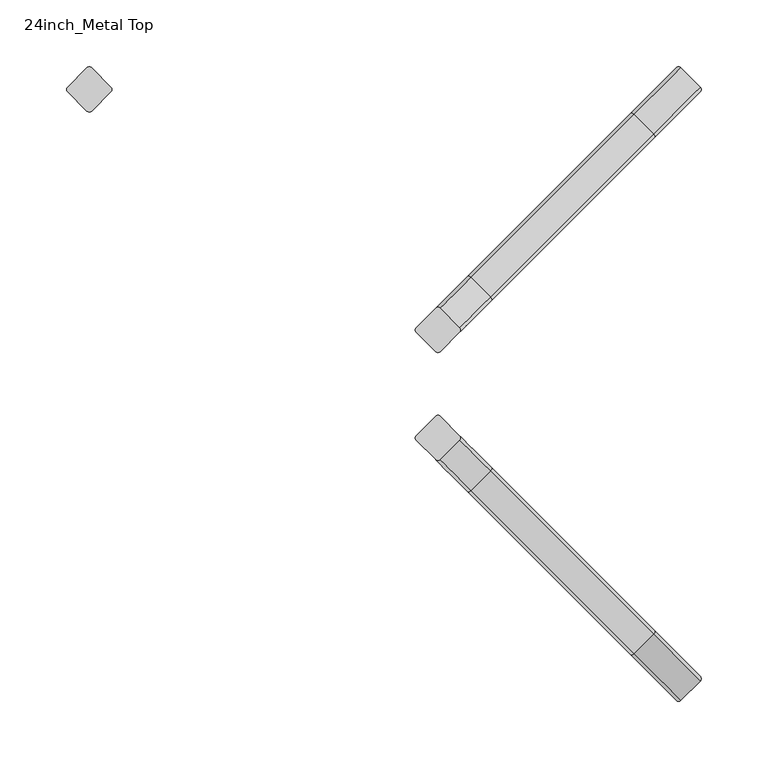
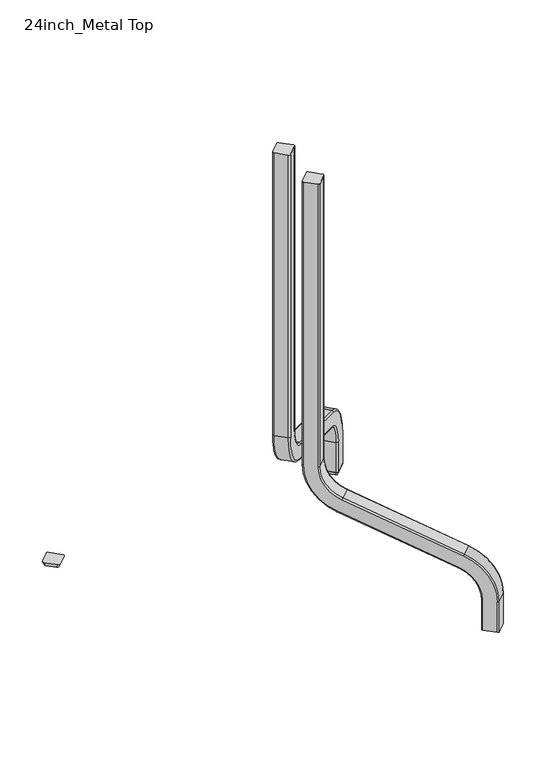
"""IFC4 building model written with IfcOpenShell, lengths in millimetres: furniture geometry, 24inch_Metal Top."""

from ifc_helpers import new_model, si_unit, point, frame, origin, place, context, project, spatial, polyline, circle_curve, ellipse_curve, trimmed, source, transform, mapped, element, save
from ifc_brep_helpers import plane_surface, cylinder_surface, revolved_surface, extruded_surface, advanced_brep


def furniture_24inch_metal_top_5c2725af(model_context):
    return source(origin(), model_context, "Body", "AdvancedBrep", [
        advanced_brep(
        [(237.0285379, -222.6060599, 6.0), (222.6035596, -237.0310383, 6.0), (219.0680257, -237.0310383, 6.0), (204.6430474, -222.6060599, 6.0), (204.6430474, -219.070526, 6.0), (219.0680257, -204.6455477, 6.0), (222.6035596, -204.6455477, 6.0), (237.0285379, -219.070526, 6.0), (237.0285379, -222.6060599, 56.4844346), (222.6035596, -237.0310383, 56.4844346), (219.0680257, -237.0310383, 56.4844346), (185.3365294, -203.2995419, 124.6121496), (63.1113418, -81.0743544, 187.5253211), (38.6850858, -56.6480984, 236.8591837), (38.6850858, -56.6480984, 710.9420313), (24.2601075, -42.2231201, 710.9420313), (24.2601075, -42.2231201, 236.8591837), (58.1777086, -76.1407212, 168.3555916), (180.4028962, -198.3659088, 105.4424202), (204.6430474, -222.6060599, 56.4844346), (204.6430474, -219.070526, 56.4844346), (219.0680257, -204.6455477, 56.4844346), (222.6035596, -204.6455477, 56.4844346), (198.3634084, -180.4053965, 105.4424202), (76.1382209, -58.180209, 168.3555916), (42.2206197, -24.2626078, 236.8591837), (42.2206197, -24.2626078, 710.9420313), (56.6455981, -38.6875862, 710.9420313), (56.6455981, -38.6875862, 236.8591837), (81.071854, -63.1138421, 187.5253211), (203.2970416, -185.3390297, 124.6121496), (237.0285379, -219.070526, 56.4844346), (187.7089082, -202.1363869, 126.9613812), (202.1338866, -187.7114086, 126.9613812), (181.5660513, -195.9935299, 103.0931886), (195.9910296, -181.5685516, 103.0931886), (79.908699, -65.486221, 189.8745526), (65.4837207, -79.9111993, 189.8745526), (59.3408637, -73.7683424, 166.0063601), (73.765842, -59.343364, 166.0063601), (42.2206197, -56.6480984, 236.8591837), (56.6455981, -42.2231201, 236.8591837), (24.2601075, -38.6875862, 236.8591837), (38.6850858, -24.2626078, 236.8591837), (56.6455981, -42.2231201, 710.9420313), (38.6850858, -24.2626078, 710.9420313), (24.2601075, -38.6875862, 710.9420313), (42.2206197, -56.6480984, 710.9420313)],
        [
            (0, 1),
            (1, 2, circle_curve(frame((220.8357927, -235.2632713, 6.0), z_axis=(0.0, 0.0, -1.0), x_axis=(-0.7071067811865472, 0.7071067811865478, 0.0)), 2.5)),
            (2, 3),
            (3, 4, circle_curve(frame((206.4108143, -220.838293, 6.0), z_axis=(0.0, 0.0, -1.0), x_axis=(-0.7071067811865472, 0.7071067811865478, 0.0)), 2.5)),
            (4, 5),
            (5, 6, circle_curve(frame((220.8357927, -206.4133147, 6.0), z_axis=(0.0, 0.0, -1.0), x_axis=(-0.7071067811865472, 0.7071067811865478, 0.0)), 2.5)),
            (6, 7),
            (7, 0, circle_curve(frame((235.260771, -220.838293, 6.0), z_axis=(0.0, 0.0, -1.0), x_axis=(-0.7071067811865472, 0.7071067811865478, 0.0)), 2.5)),
            (0, 8),
            (8, 9),
            (9, 1),
            (9, 10, circle_curve(frame((220.8357927, -235.2632713, 56.4844346), z_axis=(0.0, 0.0, -1.0), x_axis=(-0.7071067811865472, 0.7071067811865478, 0.0)), 2.5)),
            (10, 2),
            (10, 11, circle_curve(frame((167.8027841, -185.7657966, 56.4844346), z_axis=(-0.7071067811865478, -0.7071067811865472, 0.0), x_axis=(0.7071067811865472, -0.7071067811865478, 0.0)), 72.5)),
            (11, 12),
            (12, 13, circle_curve(frame((75.8081918, -93.7712044, 236.8591837), z_axis=(0.7071067811865478, 0.7071067811865472, 0.0), x_axis=(-0.24184476264796512, 0.24184476264796528, -0.9396926207859135)), 52.5)),
            (13, 14),
            (14, 15),
            (15, 16),
            (16, 17, circle_curve(frame((75.8081918, -93.7712044, 236.8591837), z_axis=(-0.7071067811865478, -0.7071067811865472, 0.0), x_axis=(-0.24184476264796512, 0.24184476264796528, -0.9396926207859135)), 72.9)),
            (17, 18),
            (18, 19, circle_curve(frame((167.8027841, -185.7657966, 56.4844346), z_axis=(0.7071067811865478, 0.7071067811865472, 0.0), x_axis=(0.7071067811865472, -0.7071067811865478, 0.0)), 52.1)),
            (19, 3),
            (19, 20, circle_curve(frame((206.4108143, -220.838293, 56.4844346), z_axis=(0.0, 0.0, -1.0), x_axis=(-0.7071067811865472, 0.7071067811865478, 0.0)), 2.5)),
            (20, 4),
            (20, 21),
            (21, 5),
            (21, 22, circle_curve(frame((220.8357927, -206.4133147, 56.4844346), z_axis=(0.0, 0.0, -1.0), x_axis=(-0.7071067811865472, 0.7071067811865478, 0.0)), 2.5)),
            (22, 6),
            (22, 23, circle_curve(frame((185.7632963, -167.8052844, 56.4844346), z_axis=(-0.7071067811865478, -0.7071067811865472, 0.0), x_axis=(0.7071067811865472, -0.7071067811865478, 0.0)), 52.1)),
            (23, 24),
            (24, 25, circle_curve(frame((93.7687041, -75.8106922, 236.8591837), z_axis=(0.7071067811865478, 0.7071067811865472, 0.0), x_axis=(-0.24184476264796512, 0.24184476264796528, -0.9396926207859135)), 72.9)),
            (25, 26),
            (26, 27),
            (27, 28),
            (28, 29, circle_curve(frame((93.7687041, -75.8106922, 236.8591837), z_axis=(-0.7071067811865478, -0.7071067811865472, 0.0), x_axis=(-0.24184476264796512, 0.24184476264796528, -0.9396926207859135)), 52.5)),
            (29, 30),
            (30, 31, circle_curve(frame((185.7632963, -167.8052844, 56.4844346), z_axis=(0.7071067811865478, 0.7071067811865472, 0.0), x_axis=(0.7071067811865472, -0.7071067811865478, 0.0)), 72.5)),
            (31, 7),
            (31, 8, circle_curve(frame((235.260771, -220.838293, 56.4844346), z_axis=(0.0, 0.0, -1.0), x_axis=(-0.7071067811865472, 0.7071067811865478, 0.0)), 2.5)),
            (32, 9, circle_curve(frame((169.570551, -183.9980297, 56.4844346), z_axis=(0.7071067811865478, 0.7071067811865472, 0.0), x_axis=(0.7071067811865472, -0.7071067811865478, 0.0)), 75.0)),
            (8, 33, circle_curve(frame((183.9955294, -169.5730514, 56.4844346), z_axis=(-0.7071067811865478, -0.7071067811865472, 0.0), x_axis=(0.7071067811865472, -0.7071067811865478, 0.0)), 75.0)),
            (33, 32),
            (32, 11, circle_curve(frame((187.1042963, -201.531775, 124.6121496), z_axis=(0.6644630243886782, -0.6644630243886788, -0.342020143325654), x_axis=(-0.24184476264796476, 0.24184476264796495, -0.9396926207859138)), 2.5)),
            (34, 20, circle_curve(frame((169.570551, -183.9980297, 56.4844346), z_axis=(0.7071067811865478, 0.7071067811865472, 0.0), x_axis=(0.7071067811865472, -0.7071067811865478, 0.0)), 49.6)),
            (18, 34, circle_curve(frame((182.1706632, -196.5981418, 105.4424202), z_axis=(0.6644630243886783, -0.6644630243886789, -0.3420201433256538), x_axis=(-0.2418447626479646, 0.24184476264796478, -0.9396926207859139)), 2.5)),
            (35, 21, circle_curve(frame((183.9955294, -169.5730514, 56.4844346), z_axis=(0.7071067811865478, 0.7071067811865472, 0.0), x_axis=(0.7071067811865472, -0.7071067811865478, 0.0)), 49.6)),
            (34, 35),
            (35, 23, circle_curve(frame((196.5956415, -182.1731635, 105.4424202), z_axis=(0.6644630243886781, -0.6644630243886785, -0.3420201433256546), x_axis=(-0.24184476264796517, 0.24184476264796537, -0.9396926207859135)), 2.5)),
            (30, 33, circle_curve(frame((201.5292747, -187.1067966, 124.6121496), z_axis=(0.6644630243886781, -0.6644630243886787, -0.3420201433256542), x_axis=(-0.2418447626479649, 0.2418447626479651, -0.9396926207859136)), 2.5)),
            (33, 36),
            (36, 37),
            (37, 32),
            (37, 12, circle_curve(frame((64.8791088, -79.3065874, 187.5253211), z_axis=(0.6644630243886785, -0.6644630243886788, -0.3420201433256535), x_axis=(-0.2418447626479644, 0.2418447626479646, -0.939692620785914)), 2.5)),
            (17, 38, circle_curve(frame((59.9454756, -74.3729543, 168.3555916), z_axis=(0.6644630243886785, -0.6644630243886788, -0.3420201433256535), x_axis=(-0.2418447626479644, 0.2418447626479646, -0.939692620785914)), 2.5)),
            (38, 34),
            (38, 39),
            (39, 35),
            (39, 24, circle_curve(frame((74.3704539, -59.9479759, 168.3555916), z_axis=(0.6644630243886785, -0.6644630243886788, -0.3420201433256535), x_axis=(-0.2418447626479644, 0.2418447626479646, -0.939692620785914)), 2.5)),
            (29, 36, circle_curve(frame((79.3040871, -64.8816091, 187.5253211), z_axis=(0.6644630243886785, -0.6644630243886788, -0.3420201433256535), x_axis=(-0.2418447626479644, 0.2418447626479646, -0.939692620785914)), 2.5)),
            (40, 37, circle_curve(frame((77.5759588, -92.0034375, 236.8591837), z_axis=(-0.7071067811865478, -0.7071067811865472, 0.0), x_axis=(-0.24184476264796512, 0.24184476264796528, -0.9396926207859135)), 50.0)),
            (36, 41, circle_curve(frame((92.0009371, -77.5784591, 236.8591837), z_axis=(0.7071067811865478, 0.7071067811865472, 0.0), x_axis=(-0.24184476264796512, 0.24184476264796528, -0.9396926207859135)), 50.0)),
            (41, 40),
            (40, 13, circle_curve(frame((40.4528528, -54.8803314, 236.8591837), z_axis=(0.0, 0.0, -1.0), x_axis=(-0.7071067811865472, 0.7071067811865477, 0.0)), 2.5)),
            (42, 38, circle_curve(frame((77.5759588, -92.0034375, 236.8591837), z_axis=(-0.7071067811865478, -0.7071067811865472, 0.0), x_axis=(-0.24184476264796512, 0.24184476264796528, -0.9396926207859135)), 75.4)),
            (16, 42, circle_curve(frame((26.0278744, -40.4553531, 236.8591837), z_axis=(0.0, 0.0, -1.0), x_axis=(-0.7071067811865472, 0.7071067811865478, 0.0)), 2.5)),
            (43, 39, circle_curve(frame((92.0009371, -77.5784591, 236.8591837), z_axis=(-0.7071067811865478, -0.7071067811865472, 0.0), x_axis=(-0.24184476264796512, 0.24184476264796528, -0.9396926207859135)), 75.4)),
            (42, 43),
            (43, 25, circle_curve(frame((40.4528528, -26.0303748, 236.8591837), z_axis=(0.0, 0.0, -1.0), x_axis=(-0.7071067811865472, 0.7071067811865477, 0.0)), 2.5)),
            (28, 41, circle_curve(frame((54.8778311, -40.4553531, 236.8591837), z_axis=(0.0, 0.0, -1.0), x_axis=(-0.7071067811865472, 0.7071067811865478, 0.0)), 2.5)),
            (44, 27, circle_curve(frame((54.8778311, -40.4553531, 710.9420313), z_axis=(0.0, 0.0, 1.0), x_axis=(-0.7071067811865472, 0.7071067811865478, 0.0)), 2.5)),
            (26, 45, circle_curve(frame((40.4528528, -26.0303748, 710.9420313), z_axis=(0.0, 0.0, 1.0), x_axis=(-0.7071067811865472, 0.7071067811865478, 0.0)), 2.5)),
            (45, 46),
            (46, 15, circle_curve(frame((26.0278744, -40.4553531, 710.9420313), z_axis=(0.0, 0.0, 1.0), x_axis=(-0.7071067811865472, 0.7071067811865478, 0.0)), 2.5)),
            (14, 47, circle_curve(frame((40.4528528, -54.8803314, 710.9420313), z_axis=(0.0, 0.0, 1.0), x_axis=(-0.7071067811865472, 0.7071067811865478, 0.0)), 2.5)),
            (47, 44),
            (41, 44),
            (47, 40),
            (46, 42),
            (45, 43),
        ],
        [
            plane_surface(frame((229.8172989, -229.8172989, 6.0), z_axis=(0.0, 0.0, -1.0), x_axis=(-0.7071067811865478, -0.7071067811865472, 0.0))),
            plane_surface(frame((237.0285379, -222.6060599, 6.0), z_axis=(0.7071067811865472, -0.7071067811865478, 0.0), x_axis=(0.0, 0.0, 1.0))),
            cylinder_surface(frame((220.8357927, -235.2632713, 6.0), z_axis=(0.0, 0.0, -1.0), x_axis=(-0.7071067811865472, 0.7071067811865478, 0.0)), 2.5),
            plane_surface(frame((219.0680257, -237.0310383, 6.0), z_axis=(-0.7071067811865478, -0.7071067811865472, 0.0), x_axis=(0.0, 0.0, 1.0))),
            cylinder_surface(frame((206.4108143, -220.838293, 6.0), z_axis=(0.0, 0.0, -1.0), x_axis=(-0.7071067811865472, 0.7071067811865478, 0.0)), 2.5),
            plane_surface(frame((204.6430474, -219.070526, 6.0), z_axis=(-0.7071067811865472, 0.7071067811865478, 0.0), x_axis=(0.0, 0.0, 1.0))),
            cylinder_surface(frame((220.8357927, -206.4133147, 6.0), z_axis=(0.0, 0.0, -1.0), x_axis=(-0.7071067811865472, 0.7071067811865478, 0.0)), 2.5),
            plane_surface(frame((222.6035596, -204.6455477, 6.0), z_axis=(0.7071067811865478, 0.7071067811865472, 0.0), x_axis=(0.0, 0.0, 1.0))),
            cylinder_surface(frame((235.260771, -220.838293, 6.0), z_axis=(0.0, 0.0, -1.0), x_axis=(-0.7071067811865472, 0.7071067811865478, 0.0)), 2.5),
            cylinder_surface(frame((176.7842904, -176.7842904, 56.4844346), z_axis=(-0.7071067811865478, -0.7071067811865472, 0.0), x_axis=(0.7071067811865472, -0.7071067811865478, 0.0)), 75.0),
            revolved_surface(trimmed(ellipse_curve(frame((220.8357927, -235.2632713, 56.4844346), z_axis=(0.0, 0.0, -1.0), x_axis=(-0.7071067811865472, 0.7071067811865478, 0.0)), 2.5, 2.5), [point((222.6035596, -237.0310383, 56.4844346))], [point((219.0680257, -237.0310383, 56.4844346))], True, "CARTESIAN"), (176.7842904, -176.7842904, 56.4844346), (-0.7071067811865478, -0.7071067811865472, 0.0)),
            revolved_surface(trimmed(ellipse_curve(frame((206.4108143, -220.838293, 56.4844346), z_axis=(0.0, 0.0, -1.0), x_axis=(-0.7071067811865472, 0.7071067811865478, 0.0)), 2.5, 2.5), [point((204.6430474, -222.6060599, 56.4844346))], [point((204.6430474, -219.070526, 56.4844346))], True, "CARTESIAN"), (176.7842904, -176.7842904, 56.4844346), (-0.7071067811865478, -0.7071067811865472, 0.0)),
            revolved_surface(polyline([(204.64304739685275, -219.07052609685277, 56.4844346), (219.06802574685275, -204.64554774685277, 56.4844346)]), (176.7842904, -176.7842904, 56.4844346), (-0.7071067811865478, -0.7071067811865472, 0.0)),
            revolved_surface(trimmed(ellipse_curve(frame((220.8357927, -206.4133147, 56.4844346), z_axis=(0.0, 0.0, -1.0), x_axis=(-0.7071067811865472, 0.7071067811865478, 0.0)), 2.5, 2.5), [point((219.0680257, -204.6455477, 56.4844346))], [point((222.6035596, -204.6455477, 56.4844346))], True, "CARTESIAN"), (176.7842904, -176.7842904, 56.4844346), (-0.7071067811865478, -0.7071067811865472, 0.0)),
            revolved_surface(trimmed(ellipse_curve(frame((235.260771, -220.838293, 56.4844346), z_axis=(0.0, 0.0, -1.0), x_axis=(-0.7071067811865472, 0.7071067811865478, 0.0)), 2.5, 2.5), [point((237.0285379, -219.070526, 56.4844346))], [point((237.0285379, -222.6060599, 56.4844346))], True, "CARTESIAN"), (176.7842904, -176.7842904, 56.4844346), (-0.7071067811865478, -0.7071067811865472, 0.0)),
            plane_surface(frame((202.1338866, -187.7114086, 126.9613812), z_axis=(0.24184476264796456, -0.24184476264796467, 0.939692620785914), x_axis=(-0.6644630243886784, 0.6644630243886789, 0.34202014332565367))),
            cylinder_surface(frame((187.1042963, -201.531775, 124.6121496), z_axis=(0.6644630243886785, -0.6644630243886788, -0.3420201433256535), x_axis=(-0.2418447626479644, 0.2418447626479646, -0.939692620785914)), 2.5),
            cylinder_surface(frame((182.1706632, -196.5981418, 105.4424202), z_axis=(0.6644630243886785, -0.6644630243886788, -0.3420201433256535), x_axis=(-0.2418447626479644, 0.2418447626479646, -0.939692620785914)), 2.5),
            plane_surface(frame((181.5660513, -195.9935299, 103.0931886), z_axis=(-0.24184476264796445, 0.24184476264796465, -0.939692620785914), x_axis=(-0.6644630243886784, 0.6644630243886788, 0.34202014332565356))),
            cylinder_surface(frame((196.5956415, -182.1731635, 105.4424202), z_axis=(0.6644630243886785, -0.6644630243886788, -0.3420201433256535), x_axis=(-0.2418447626479644, 0.2418447626479646, -0.939692620785914)), 2.5),
            cylinder_surface(frame((201.5292747, -187.1067966, 124.6121496), z_axis=(0.6644630243886785, -0.6644630243886788, -0.3420201433256535), x_axis=(-0.2418447626479644, 0.2418447626479646, -0.939692620785914)), 2.5),
            revolved_surface(polyline([(79.90869896760175, -65.48622096760174, 189.8745526607043), (65.48372061760173, -79.91119931760174, 189.8745526607043)]), (84.7896981, -84.7896981, 236.8591837), (0.7071067811865478, 0.7071067811865472, 0.0)),
            revolved_surface(trimmed(ellipse_curve(frame((64.8791088, -79.3065874, 187.5253211), z_axis=(0.6644630243886782, -0.6644630243886784, -0.3420201433256544), x_axis=(-0.24184476264796506, 0.24184476264796528, -0.9396926207859135)), 2.5, 2.5), [point((65.4837207, -79.9111993, 189.8745526))], [point((63.1113418, -81.0743544, 187.5253211))], True, "CARTESIAN"), (84.7896981, -84.7896981, 236.8591837), (0.7071067811865478, 0.7071067811865472, 0.0)),
            revolved_surface(trimmed(ellipse_curve(frame((59.9454756, -74.3729543, 168.3555916), z_axis=(0.6644630243886782, -0.6644630243886784, -0.3420201433256544), x_axis=(-0.24184476264796506, 0.24184476264796528, -0.9396926207859135)), 2.5, 2.5), [point((58.1777086, -76.1407212, 168.3555916))], [point((59.3408637, -73.7683424, 166.0063601))], True, "CARTESIAN"), (84.7896981, -84.7896981, 236.8591837), (0.7071067811865478, 0.7071067811865472, 0.0)),
            cylinder_surface(frame((84.7896981, -84.7896981, 236.8591837), z_axis=(0.7071067811865478, 0.7071067811865472, 0.0), x_axis=(-0.24184476264796512, 0.24184476264796528, -0.9396926207859135)), 75.4),
            revolved_surface(trimmed(ellipse_curve(frame((74.3704539, -59.9479759, 168.3555916), z_axis=(0.6644630243886782, -0.6644630243886784, -0.3420201433256544), x_axis=(-0.24184476264796506, 0.24184476264796528, -0.9396926207859135)), 2.5, 2.5), [point((73.765842, -59.343364, 166.0063601))], [point((76.1382209, -58.180209, 168.3555916))], True, "CARTESIAN"), (84.7896981, -84.7896981, 236.8591837), (0.7071067811865478, 0.7071067811865472, 0.0)),
            revolved_surface(trimmed(ellipse_curve(frame((79.3040871, -64.8816091, 187.5253211), z_axis=(0.6644630243886782, -0.6644630243886784, -0.3420201433256544), x_axis=(-0.24184476264796506, 0.24184476264796528, -0.9396926207859135)), 2.5, 2.5), [point((81.071854, -63.1138421, 187.5253211))], [point((79.908699, -65.486221, 189.8745526))], True, "CARTESIAN"), (84.7896981, -84.7896981, 236.8591837), (0.7071067811865478, 0.7071067811865472, 0.0)),
            plane_surface(frame((49.4343591, -49.4343591, 710.9420313), z_axis=(0.0, 0.0, 1.0), x_axis=(-0.7071067811865478, -0.7071067811865472, 0.0))),
            plane_surface(frame((56.6455981, -42.2231201, 236.8591837), z_axis=(0.7071067811865472, -0.7071067811865478, 0.0), x_axis=(0.0, 0.0, 1.0))),
            cylinder_surface(frame((40.4528528, -54.8803314, 236.8591837), z_axis=(0.0, 0.0, -1.0), x_axis=(-0.7071067811865472, 0.7071067811865478, 0.0)), 2.5),
            cylinder_surface(frame((26.0278744, -40.4553531, 236.8591837), z_axis=(0.0, 0.0, -1.0), x_axis=(-0.7071067811865472, 0.7071067811865478, 0.0)), 2.5),
            plane_surface(frame((24.2601075, -38.6875862, 236.8591837), z_axis=(-0.7071067811865472, 0.7071067811865478, 0.0), x_axis=(0.0, 0.0, 1.0))),
            cylinder_surface(frame((40.4528528, -26.0303748, 236.8591837), z_axis=(0.0, 0.0, -1.0), x_axis=(-0.7071067811865472, 0.7071067811865478, 0.0)), 2.5),
            cylinder_surface(frame((54.8778311, -40.4553531, 236.8591837), z_axis=(0.0, 0.0, -1.0), x_axis=(-0.7071067811865472, 0.7071067811865478, 0.0)), 2.5),
        ],
        [
            (0, [[1, 2, 3, 4, 5, 6, 7, 8]]),
            (1, [[-1, 9, 10, 11]]),
            (2, [[-2, -11, 12, 13]]),
            (3, [[-3, -13, 14, 15, 16, 17, 18, 19, 20, 21, 22, 23]]),
            (4, [[-4, -23, 24, 25]]),
            (5, [[-5, -25, 26, 27]]),
            (6, [[-6, -27, 28, 29]]),
            (7, [[-7, -29, 30, 31, 32, 33, 34, 35, 36, 37, 38, 39]]),
            (8, [[-8, -39, 40, -9]]),
            (9, [[41, -10, 42, 43]]),
            (10, [[-14, -12, -41, 44]]),
            (11, [[45, -24, -22, 46]]),
            (12, [[47, -26, -45, 48]]),
            (13, [[-30, -28, -47, 49]]),
            (14, [[-42, -40, -38, 50]]),
            (15, [[-43, 51, 52, 53]]),
            (16, [[-44, -53, 54, -15]]),
            (17, [[-46, -21, 55, 56]]),
            (18, [[-48, -56, 57, 58]]),
            (19, [[-49, -58, 59, -31]]),
            (20, [[-50, -37, 60, -51]]),
            (21, [[61, -52, 62, 63]]),
            (22, [[-16, -54, -61, 64]]),
            (23, [[65, -55, -20, 66]]),
            (24, [[67, -57, -65, 68]]),
            (25, [[-32, -59, -67, 69]]),
            (26, [[-62, -60, -36, 70]]),
            (27, [[71, -34, 72, 73, 74, -18, 75, 76]]),
            (28, [[-63, 77, -76, 78]]),
            (29, [[-64, -78, -75, -17]]),
            (30, [[-66, -19, -74, 79]]),
            (31, [[-68, -79, -73, 80]]),
            (32, [[-69, -80, -72, -33]]),
            (33, [[-70, -35, -71, -77]]),
        ],
    ),
        advanced_brep(
        [(233.4955044, 222.6035596, 0.0), (233.4955044, 219.0680257, 0.0), (222.6060599, 208.1785813, 0.0), (219.070526, 208.1785813, 0.0), (208.1810816, 219.0680257, 0.0), (208.1810816, 222.6035596, 0.0), (219.070526, 233.493004, 0.0), (222.6060599, 233.493004, 0.0), (237.0310383, 222.6035596, 6.0), (222.6060599, 237.0285379, 6.0), (219.070526, 237.0285379, 6.0), (204.6455477, 222.6035596, 6.0), (204.6455477, 219.0680257, 6.0), (219.070526, 204.6430474, 6.0), (222.6060599, 204.6430474, 6.0), (237.0310383, 219.0680257, 6.0)],
        [
            (0, 1, circle_curve(frame((231.7277374, 220.8357927, 0.0), z_axis=(0.0, 0.0, -1.0), x_axis=(0.707106781186547, -0.707106781186548, 0.0)), 2.5)),
            (1, 2),
            (2, 3, circle_curve(frame((220.838293, 209.9463482, 0.0), z_axis=(0.0, 0.0, -1.0), x_axis=(0.707106781186547, -0.707106781186548, 0.0)), 2.5)),
            (3, 4),
            (4, 5, circle_curve(frame((209.9488486, 220.8357927, 0.0), z_axis=(0.0, 0.0, -1.0), x_axis=(0.707106781186547, -0.707106781186548, 0.0)), 2.5)),
            (5, 6),
            (6, 7, circle_curve(frame((220.838293, 231.7252371, 0.0), z_axis=(0.0, 0.0, -1.0), x_axis=(0.707106781186547, -0.707106781186548, 0.0)), 2.5)),
            (7, 0),
            (8, 9),
            (9, 10, circle_curve(frame((220.838293, 235.260771, 6.0), z_axis=(0.0, 0.0, 1.0), x_axis=(0.707106781186547, -0.707106781186548, 0.0)), 2.5)),
            (10, 11),
            (11, 12, circle_curve(frame((206.4133147, 220.8357927, 6.0), z_axis=(0.0, 0.0, 1.0), x_axis=(0.707106781186547, -0.707106781186548, 0.0)), 2.5)),
            (12, 13),
            (13, 14, circle_curve(frame((220.838293, 206.4108143, 6.0), z_axis=(0.0, 0.0, 1.0), x_axis=(0.707106781186547, -0.707106781186548, 0.0)), 2.5)),
            (14, 15),
            (15, 8, circle_curve(frame((235.2632713, 220.8357927, 6.0), z_axis=(0.0, 0.0, 1.0), x_axis=(0.707106781186547, -0.707106781186548, 0.0)), 2.5)),
            (15, 1),
            (0, 8),
            (14, 2),
            (13, 3),
            (12, 4),
            (11, 5),
            (10, 6),
            (9, 7),
        ],
        [
            plane_surface(frame((220.838293, 220.8357927, 0.0), z_axis=(0.0, 0.0, -1.0), x_axis=(0.7071067811865475, -0.7071067811865476, 0.0))),
            plane_surface(frame((220.838293, 220.8357927, 6.0), z_axis=(0.0, 0.0, 1.0), x_axis=(0.7071067811865476, -0.7071067811865475, 0.0))),
            extruded_surface(trimmed(circle_curve(frame((235.2632713, 220.8357927, 6.0), z_axis=(0.0, 0.0, -1.0), x_axis=(0.707106781186547, -0.707106781186548, 0.0)), 2.5), [point((237.0310383, 222.6035596, 6.0))], [point((237.0310383, 219.0680257, 6.0))], True, "CARTESIAN"), (-3.5355339000000185, 0.0, -6.0), 6.964194135580178),
            plane_surface(frame((229.8185491, 211.8555365, 6.0), z_axis=(0.652713951864832, -0.6527139518648329, -0.38461538461427447), x_axis=(-0.707106781186548, -0.707106781186547, 0.0))),
            extruded_surface(trimmed(circle_curve(frame((220.838293, 206.4108143, 6.0), z_axis=(0.0, 0.0, -1.0), x_axis=(0.707106781186547, -0.707106781186548, 0.0)), 2.5), [point((222.6060599, 204.6430474, 6.0))], [point((219.070526, 204.6430474, 6.0))], True, "CARTESIAN"), (0.0, 3.53553389999999, -6.0), 6.964194135580163),
            plane_surface(frame((211.8580369, 211.8555365, 6.0), z_axis=(-0.6527139518666294, -0.6527139518666285, -0.38461538460817685), x_axis=(-0.707106781186547, 0.707106781186548, 0.0))),
            extruded_surface(trimmed(circle_curve(frame((206.4133147, 220.8357927, 6.0), z_axis=(0.0, 0.0, -1.0), x_axis=(0.707106781186547, -0.707106781186548, 0.0)), 2.5), [point((204.6455477, 219.0680257, 6.0))], [point((204.6455477, 222.6035596, 6.0))], True, "CARTESIAN"), (3.53553389999999, 0.0, -6.0), 6.964194135580163),
            plane_surface(frame((211.8580369, 229.8160488, 6.0), z_axis=(-0.6527139518648819, 0.6527139518648828, -0.3846153846141052), x_axis=(0.707106781186548, 0.707106781186547, 0.0))),
            extruded_surface(trimmed(circle_curve(frame((220.838293, 235.260771, 6.0), z_axis=(0.0, 0.0, -1.0), x_axis=(0.707106781186547, -0.707106781186548, 0.0)), 2.5), [point((219.070526, 237.0285379, 6.0))], [point((222.6060599, 237.0285379, 6.0))], True, "CARTESIAN"), (0.0, -3.5355339000000185, -6.0), 6.964194135580178),
            plane_surface(frame((229.8185491, 229.8160488, 6.0), z_axis=(0.6527139518639542, 0.6527139518639532, -0.3846153846172575), x_axis=(0.707106781186547, -0.707106781186548, 0.0))),
        ],
        [
            (0, [[1, 2, 3, 4, 5, 6, 7, 8]]),
            (1, [[9, 10, 11, 12, 13, 14, 15, 16]]),
            (2, [[-16, 17, -1, 18]]),
            (3, [[-15, 19, -2, -17]]),
            (4, [[-14, 20, -3, -19]]),
            (5, [[-13, 21, -4, -20]]),
            (6, [[-12, 22, -5, -21]]),
            (7, [[-11, 23, -6, -22]]),
            (8, [[-10, 24, -7, -23]]),
            (9, [[-9, -18, -8, -24]]),
        ],
    ),
        advanced_brep(
        [(222.6060599, 237.0285379, 6.0), (237.0310383, 222.6035596, 6.0), (237.0310383, 219.0680257, 6.0), (222.6060599, 204.6430474, 6.0), (219.070526, 204.6430474, 6.0), (204.6455477, 219.0680257, 6.0), (204.6455477, 222.6035596, 6.0), (219.070526, 237.0285379, 6.0), (222.6060599, 237.0285379, 56.4844346), (237.0310383, 222.6035596, 56.4844346), (237.0310383, 219.0680257, 56.4844346), (203.2995419, 185.3365294, 124.6121496), (81.0743544, 63.1113418, 187.5253211), (56.6480984, 38.6850858, 236.8591837), (56.6480984, 38.6850858, 710.9420313), (42.2231201, 24.2601075, 710.9420313), (42.2231201, 24.2601075, 236.8591837), (76.1407212, 58.1777086, 168.3555916), (198.3659088, 180.4028962, 105.4424202), (222.6060599, 204.6430474, 56.4844346), (219.070526, 204.6430474, 56.4844346), (204.6455477, 219.0680257, 56.4844346), (204.6455477, 222.6035596, 56.4844346), (180.4053965, 198.3634084, 105.4424202), (58.180209, 76.1382209, 168.3555916), (24.2626078, 42.2206197, 236.8591837), (24.2626078, 42.2206197, 710.9420313), (38.6875862, 56.6455981, 710.9420313), (38.6875862, 56.6455981, 236.8591837), (63.1138421, 81.071854, 187.5253211), (185.3390297, 203.2970416, 124.6121496), (219.070526, 237.0285379, 56.4844346), (202.1363869, 187.7089082, 126.9613812), (187.7114086, 202.1338866, 126.9613812), (195.9935299, 181.5660513, 103.0931886), (181.5685516, 195.9910296, 103.0931886), (65.486221, 79.908699, 189.8745526), (79.9111993, 65.4837207, 189.8745526), (73.7683424, 59.3408637, 166.0063601), (59.343364, 73.765842, 166.0063601), (56.6480984, 42.2206197, 236.8591837), (42.2231201, 56.6455981, 236.8591837), (38.6875862, 24.2601075, 236.8591837), (24.2626078, 38.6850858, 236.8591837), (42.2231201, 56.6455981, 710.9420313), (24.2626078, 38.6850858, 710.9420313), (38.6875862, 24.2601075, 710.9420313), (56.6480984, 42.2206197, 710.9420313)],
        [
            (0, 1),
            (1, 2, circle_curve(frame((235.2632713, 220.8357927, 6.0), z_axis=(0.0, 0.0, -1.0), x_axis=(-0.707106781186548, -0.707106781186547, 0.0)), 2.5)),
            (2, 3),
            (3, 4, circle_curve(frame((220.838293, 206.4108143, 6.0), z_axis=(0.0, 0.0, -1.0), x_axis=(-0.707106781186548, -0.707106781186547, 0.0)), 2.5)),
            (4, 5),
            (5, 6, circle_curve(frame((206.4133147, 220.8357927, 6.0), z_axis=(0.0, 0.0, -1.0), x_axis=(-0.707106781186548, -0.707106781186547, 0.0)), 2.5)),
            (6, 7),
            (7, 0, circle_curve(frame((220.838293, 235.260771, 6.0), z_axis=(0.0, 0.0, -1.0), x_axis=(-0.707106781186548, -0.707106781186547, 0.0)), 2.5)),
            (0, 8),
            (8, 9),
            (9, 1),
            (9, 10, circle_curve(frame((235.2632713, 220.8357927, 56.4844346), z_axis=(0.0, 0.0, -1.0), x_axis=(-0.707106781186548, -0.707106781186547, 0.0)), 2.5)),
            (10, 2),
            (10, 11, circle_curve(frame((185.7657966, 167.8027841, 56.4844346), z_axis=(0.707106781186547, -0.707106781186548, 0.0), x_axis=(0.707106781186548, 0.707106781186547, 0.0)), 72.5)),
            (11, 12),
            (12, 13, circle_curve(frame((93.7712044, 75.8081918, 236.8591837), z_axis=(-0.707106781186547, 0.707106781186548, 0.0), x_axis=(-0.24184476264796584, -0.2418447626479655, -0.9396926207859133)), 52.5)),
            (13, 14),
            (14, 15),
            (15, 16),
            (16, 17, circle_curve(frame((93.7712044, 75.8081918, 236.8591837), z_axis=(0.707106781186547, -0.707106781186548, 0.0), x_axis=(-0.24184476264796584, -0.2418447626479655, -0.9396926207859133)), 72.9)),
            (17, 18),
            (18, 19, circle_curve(frame((185.7657966, 167.8027841, 56.4844346), z_axis=(-0.707106781186547, 0.707106781186548, 0.0), x_axis=(0.707106781186548, 0.707106781186547, 0.0)), 52.1)),
            (19, 3),
            (19, 20, circle_curve(frame((220.838293, 206.4108143, 56.4844346), z_axis=(0.0, 0.0, -1.0), x_axis=(-0.707106781186548, -0.707106781186547, 0.0)), 2.5)),
            (20, 4),
            (20, 21),
            (21, 5),
            (21, 22, circle_curve(frame((206.4133147, 220.8357927, 56.4844346), z_axis=(0.0, 0.0, -1.0), x_axis=(-0.707106781186548, -0.707106781186547, 0.0)), 2.5)),
            (22, 6),
            (22, 23, circle_curve(frame((167.8052844, 185.7632963, 56.4844346), z_axis=(0.707106781186547, -0.707106781186548, 0.0), x_axis=(0.707106781186548, 0.707106781186547, 0.0)), 52.1)),
            (23, 24),
            (24, 25, circle_curve(frame((75.8106922, 93.7687041, 236.8591837), z_axis=(-0.707106781186547, 0.707106781186548, 0.0), x_axis=(-0.24184476264796584, -0.2418447626479655, -0.9396926207859133)), 72.9)),
            (25, 26),
            (26, 27),
            (27, 28),
            (28, 29, circle_curve(frame((75.8106922, 93.7687041, 236.8591837), z_axis=(0.707106781186547, -0.707106781186548, 0.0), x_axis=(-0.24184476264796584, -0.2418447626479655, -0.9396926207859133)), 52.5)),
            (29, 30),
            (30, 31, circle_curve(frame((167.8052844, 185.7632963, 56.4844346), z_axis=(-0.707106781186547, 0.707106781186548, 0.0), x_axis=(0.707106781186548, 0.707106781186547, 0.0)), 72.5)),
            (31, 7),
            (31, 8, circle_curve(frame((220.838293, 235.260771, 56.4844346), z_axis=(0.0, 0.0, -1.0), x_axis=(-0.707106781186548, -0.707106781186547, 0.0)), 2.5)),
            (32, 9, circle_curve(frame((183.9980297, 169.570551, 56.4844346), z_axis=(-0.707106781186547, 0.707106781186548, 0.0), x_axis=(0.707106781186548, 0.707106781186547, 0.0)), 75.0)),
            (8, 33, circle_curve(frame((169.5730514, 183.9955294, 56.4844346), z_axis=(0.707106781186547, -0.707106781186548, 0.0), x_axis=(0.707106781186548, 0.707106781186547, 0.0)), 75.0)),
            (33, 32),
            (32, 11, circle_curve(frame((201.531775, 187.1042963, 124.6121496), z_axis=(0.664463024388679, 0.664463024388678, -0.342020143325654), x_axis=(-0.241844762647965, -0.24184476264796467, -0.9396926207859138)), 2.5)),
            (34, 20, circle_curve(frame((183.9980297, 169.570551, 56.4844346), z_axis=(-0.707106781186547, 0.707106781186548, 0.0), x_axis=(0.707106781186548, 0.707106781186547, 0.0)), 49.6)),
            (18, 34, circle_curve(frame((196.5981418, 182.1706632, 105.4424202), z_axis=(0.664463024388679, 0.664463024388678, -0.342020143325654), x_axis=(-0.241844762647965, -0.24184476264796467, -0.9396926207859138)), 2.5)),
            (35, 21, circle_curve(frame((169.5730514, 183.9955294, 56.4844346), z_axis=(-0.707106781186547, 0.707106781186548, 0.0), x_axis=(0.707106781186548, 0.707106781186547, 0.0)), 49.6)),
            (34, 35),
            (35, 23, circle_curve(frame((182.1731635, 196.5956415, 105.4424202), z_axis=(0.664463024388679, 0.664463024388678, -0.342020143325654), x_axis=(-0.241844762647965, -0.24184476264796467, -0.9396926207859138)), 2.5)),
            (30, 33, circle_curve(frame((187.1067966, 201.5292747, 124.6121496), z_axis=(0.664463024388679, 0.6644630243886781, -0.3420201433256538), x_axis=(-0.24184476264796487, -0.2418447626479645, -0.9396926207859139)), 2.5)),
            (33, 36),
            (36, 37),
            (37, 32),
            (37, 12, circle_curve(frame((79.3065874, 64.8791088, 187.5253211), z_axis=(0.6644630243886791, 0.6644630243886781, -0.3420201433256536), x_axis=(-0.2418447626479648, -0.24184476264796445, -0.939692620785914)), 2.5)),
            (17, 38, circle_curve(frame((74.3729543, 59.9454756, 168.3555916), z_axis=(0.6644630243886791, 0.6644630243886781, -0.3420201433256536), x_axis=(-0.2418447626479648, -0.24184476264796445, -0.939692620785914)), 2.5)),
            (38, 34),
            (38, 39),
            (39, 35),
            (39, 24, circle_curve(frame((59.9479759, 74.3704539, 168.3555916), z_axis=(0.6644630243886791, 0.6644630243886781, -0.3420201433256536), x_axis=(-0.2418447626479648, -0.24184476264796445, -0.939692620785914)), 2.5)),
            (29, 36, circle_curve(frame((64.8816091, 79.3040871, 187.5253211), z_axis=(0.6644630243886791, 0.6644630243886781, -0.3420201433256536), x_axis=(-0.2418447626479648, -0.24184476264796445, -0.939692620785914)), 2.5)),
            (40, 37, circle_curve(frame((92.0034375, 77.5759588, 236.8591837), z_axis=(0.707106781186547, -0.707106781186548, 0.0), x_axis=(-0.24184476264796584, -0.2418447626479655, -0.9396926207859133)), 50.0)),
            (36, 41, circle_curve(frame((77.5784591, 92.0009371, 236.8591837), z_axis=(-0.707106781186547, 0.707106781186548, 0.0), x_axis=(-0.24184476264796584, -0.2418447626479655, -0.9396926207859133)), 50.0)),
            (41, 40),
            (40, 13, circle_curve(frame((54.8803314, 40.4528528, 236.8591837), z_axis=(0.0, 0.0, -0.9999999999999999), x_axis=(-0.7071067811865479, -0.7071067811865469, 0.0)), 2.5)),
            (42, 38, circle_curve(frame((92.0034375, 77.5759588, 236.8591837), z_axis=(0.707106781186547, -0.707106781186548, 0.0), x_axis=(-0.24184476264796584, -0.2418447626479655, -0.9396926207859133)), 75.4)),
            (16, 42, circle_curve(frame((40.4553531, 26.0278744, 236.8591837), z_axis=(0.0, 0.0, -0.9999999999999999), x_axis=(-0.707106781186548, -0.7071067811865469, 0.0)), 2.5)),
            (43, 39, circle_curve(frame((77.5784591, 92.0009371, 236.8591837), z_axis=(0.707106781186547, -0.707106781186548, 0.0), x_axis=(-0.24184476264796584, -0.2418447626479655, -0.9396926207859133)), 75.4)),
            (42, 43),
            (43, 25, circle_curve(frame((26.0303748, 40.4528528, 236.8591837), z_axis=(0.0, 0.0, -1.0), x_axis=(-0.7071067811865479, -0.7071067811865469, 0.0)), 2.5)),
            (28, 41, circle_curve(frame((40.4553531, 54.8778311, 236.8591837), z_axis=(0.0, 0.0, -1.0), x_axis=(-0.7071067811865479, -0.7071067811865469, 0.0)), 2.5)),
            (44, 27, circle_curve(frame((40.4553531, 54.8778311, 710.9420313), z_axis=(0.0, 0.0, 1.0), x_axis=(-0.7071067811865481, -0.707106781186547, 0.0)), 2.5)),
            (26, 45, circle_curve(frame((26.0303748, 40.4528528, 710.9420313), z_axis=(0.0, 0.0, 1.0), x_axis=(-0.7071067811865481, -0.707106781186547, 0.0)), 2.5)),
            (45, 46),
            (46, 15, circle_curve(frame((40.4553531, 26.0278744, 710.9420313), z_axis=(0.0, 0.0, 1.0), x_axis=(-0.7071067811865481, -0.707106781186547, 0.0)), 2.5)),
            (14, 47, circle_curve(frame((54.8803314, 40.4528528, 710.9420313), z_axis=(0.0, 0.0, 1.0), x_axis=(-0.7071067811865481, -0.707106781186547, 0.0)), 2.5)),
            (47, 44),
            (41, 44),
            (47, 40),
            (46, 42),
            (45, 43),
        ],
        [
            plane_surface(frame((229.8172989, 229.8172989, 6.0), z_axis=(0.0, 0.0, -1.0), x_axis=(0.707106781186547, -0.707106781186548, 0.0))),
            plane_surface(frame((222.6060599, 237.0285379, 6.0), z_axis=(0.707106781186548, 0.707106781186547, 0.0), x_axis=(0.0, 0.0, 1.0))),
            cylinder_surface(frame((235.2632713, 220.8357927, 6.0), z_axis=(0.0, 0.0, -1.0), x_axis=(-0.707106781186548, -0.707106781186547, 0.0)), 2.5),
            plane_surface(frame((237.0310383, 219.0680257, 6.0), z_axis=(0.707106781186547, -0.707106781186548, 0.0), x_axis=(0.0, 0.0, 1.0))),
            cylinder_surface(frame((220.838293, 206.4108143, 6.0), z_axis=(0.0, 0.0, -1.0), x_axis=(-0.707106781186548, -0.707106781186547, 0.0)), 2.5),
            plane_surface(frame((219.070526, 204.6430474, 6.0), z_axis=(-0.707106781186548, -0.707106781186547, 0.0), x_axis=(0.0, 0.0, 1.0))),
            cylinder_surface(frame((206.4133147, 220.8357927, 6.0), z_axis=(0.0, 0.0, -1.0), x_axis=(-0.707106781186548, -0.707106781186547, 0.0)), 2.5),
            plane_surface(frame((204.6455477, 222.6035596, 6.0), z_axis=(-0.707106781186547, 0.707106781186548, 0.0), x_axis=(0.0, 0.0, 1.0))),
            cylinder_surface(frame((220.838293, 235.260771, 6.0), z_axis=(0.0, 0.0, -1.0), x_axis=(-0.707106781186548, -0.707106781186547, 0.0)), 2.5),
            cylinder_surface(frame((176.7842904, 176.7842904, 56.4844346), z_axis=(0.707106781186547, -0.707106781186548, 0.0), x_axis=(0.707106781186548, 0.707106781186547, 0.0)), 75.0),
            revolved_surface(trimmed(ellipse_curve(frame((235.2632713, 220.8357927, 56.4844346), z_axis=(0.0, 0.0, -1.0), x_axis=(-0.707106781186548, -0.707106781186547, 0.0)), 2.5, 2.5), [point((237.0310383, 222.6035596, 56.4844346))], [point((237.0310383, 219.0680257, 56.4844346))], True, "CARTESIAN"), (176.7842904, 176.7842904, 56.4844346), (0.707106781186547, -0.707106781186548, 0.0)),
            revolved_surface(trimmed(ellipse_curve(frame((220.838293, 206.4108143, 56.4844346), z_axis=(0.0, 0.0, -1.0), x_axis=(-0.707106781186548, -0.707106781186547, 0.0)), 2.5, 2.5), [point((222.6060599, 204.6430474, 56.4844346))], [point((219.070526, 204.6430474, 56.4844346))], True, "CARTESIAN"), (176.7842904, 176.7842904, 56.4844346), (0.707106781186547, -0.707106781186548, 0.0)),
            revolved_surface(polyline([(219.07052609685277, 204.64304739685272, 56.4844346), (204.64554774685277, 219.06802574685275, 56.4844346)]), (176.7842904, 176.7842904, 56.4844346), (0.707106781186547, -0.707106781186548, 0.0)),
            revolved_surface(trimmed(ellipse_curve(frame((206.4133147, 220.8357927, 56.4844346), z_axis=(0.0, 0.0, -1.0), x_axis=(-0.707106781186548, -0.707106781186547, 0.0)), 2.5, 2.5), [point((204.6455477, 219.0680257, 56.4844346))], [point((204.6455477, 222.6035596, 56.4844346))], True, "CARTESIAN"), (176.7842904, 176.7842904, 56.4844346), (0.707106781186547, -0.707106781186548, 0.0)),
            revolved_surface(trimmed(ellipse_curve(frame((220.838293, 235.260771, 56.4844346), z_axis=(0.0, 0.0, -1.0), x_axis=(-0.707106781186548, -0.707106781186547, 0.0)), 2.5, 2.5), [point((219.070526, 237.0285379, 56.4844346))], [point((222.6060599, 237.0285379, 56.4844346))], True, "CARTESIAN"), (176.7842904, 176.7842904, 56.4844346), (0.707106781186547, -0.707106781186548, 0.0)),
            plane_surface(frame((187.7114086, 202.1338866, 126.9613812), z_axis=(0.24184476264796478, 0.24184476264796445, 0.939692620785914), x_axis=(-0.6644630243886791, -0.6644630243886782, 0.34202014332565367))),
            cylinder_surface(frame((201.531775, 187.1042963, 124.6121496), z_axis=(0.6644630243886792, 0.6644630243886782, -0.34202014332565367), x_axis=(-0.2418447626479648, -0.24184476264796445, -0.939692620785914)), 2.5),
            cylinder_surface(frame((196.5981418, 182.1706632, 105.4424202), z_axis=(0.6644630243886792, 0.6644630243886782, -0.34202014332565367), x_axis=(-0.2418447626479648, -0.24184476264796445, -0.939692620785914)), 2.5),
            plane_surface(frame((195.9935299, 181.5660513, 103.0931886), z_axis=(-0.24184476264796462, -0.24184476264796426, -0.9396926207859142), x_axis=(-0.6644630243886791, -0.6644630243886783, 0.3420201433256534))),
            cylinder_surface(frame((182.1731635, 196.5956415, 105.4424202), z_axis=(0.6644630243886792, 0.6644630243886782, -0.34202014332565367), x_axis=(-0.2418447626479648, -0.24184476264796445, -0.939692620785914)), 2.5),
            cylinder_surface(frame((187.1067966, 201.5292747, 124.6121496), z_axis=(0.6644630243886792, 0.6644630243886782, -0.34202014332565367), x_axis=(-0.2418447626479648, -0.24184476264796445, -0.939692620785914)), 2.5),
            revolved_surface(polyline([(65.48622096760171, 79.90869896760172, 189.87455266070432), (79.91119931760173, 65.48372061760169, 189.87455266070432)]), (84.7896981, 84.7896981, 236.8591837), (-0.707106781186547, 0.707106781186548, 0.0)),
            revolved_surface(trimmed(ellipse_curve(frame((79.3065874, 64.8791088, 187.5253211), z_axis=(0.6644630243886787, 0.6644630243886777, -0.3420201433256553), x_axis=(-0.24184476264796595, -0.24184476264796556, -0.9396926207859133)), 2.5, 2.5), [point((79.9111993, 65.4837207, 189.8745526))], [point((81.0743544, 63.1113418, 187.5253211))], True, "CARTESIAN"), (84.7896981, 84.7896981, 236.8591837), (-0.707106781186547, 0.707106781186548, 0.0)),
            revolved_surface(trimmed(ellipse_curve(frame((74.3729543, 59.9454756, 168.3555916), z_axis=(0.6644630243886787, 0.6644630243886777, -0.3420201433256553), x_axis=(-0.24184476264796595, -0.24184476264796556, -0.9396926207859133)), 2.5, 2.5), [point((76.1407212, 58.1777086, 168.3555916))], [point((73.7683424, 59.3408637, 166.0063601))], True, "CARTESIAN"), (84.7896981, 84.7896981, 236.8591837), (-0.707106781186547, 0.707106781186548, 0.0)),
            cylinder_surface(frame((84.7896981, 84.7896981, 236.8591837), z_axis=(-0.707106781186547, 0.707106781186548, 0.0), x_axis=(-0.24184476264796584, -0.2418447626479655, -0.9396926207859133)), 75.4),
            revolved_surface(trimmed(ellipse_curve(frame((59.9479759, 74.3704539, 168.3555916), z_axis=(0.6644630243886787, 0.6644630243886777, -0.3420201433256553), x_axis=(-0.24184476264796595, -0.24184476264796556, -0.9396926207859133)), 2.5, 2.5), [point((59.343364, 73.765842, 166.0063601))], [point((58.180209, 76.1382209, 168.3555916))], True, "CARTESIAN"), (84.7896981, 84.7896981, 236.8591837), (-0.707106781186547, 0.707106781186548, 0.0)),
            revolved_surface(trimmed(ellipse_curve(frame((64.8816091, 79.3040871, 187.5253211), z_axis=(0.6644630243886787, 0.6644630243886777, -0.3420201433256553), x_axis=(-0.24184476264796595, -0.24184476264796556, -0.9396926207859133)), 2.5, 2.5), [point((63.1138421, 81.071854, 187.5253211))], [point((65.486221, 79.908699, 189.8745526))], True, "CARTESIAN"), (84.7896981, 84.7896981, 236.8591837), (-0.707106781186547, 0.707106781186548, 0.0)),
            plane_surface(frame((49.4343591, 49.4343591, 710.9420313), z_axis=(0.0, 0.0, 1.0000000000000002), x_axis=(0.7071067811865471, -0.707106781186548, 0.0))),
            plane_surface(frame((42.2231201, 56.6455981, 236.8591837), z_axis=(0.707106781186548, 0.7071067811865471, 0.0), x_axis=(0.0, 0.0, 1.0))),
            cylinder_surface(frame((54.8803314, 40.4528528, 236.8591837), z_axis=(0.0, 0.0, -1.0000000000000002), x_axis=(-0.7071067811865481, -0.707106781186547, 0.0)), 2.5),
            cylinder_surface(frame((40.4553531, 26.0278744, 236.8591837), z_axis=(0.0, 0.0, -1.0000000000000002), x_axis=(-0.7071067811865481, -0.707106781186547, 0.0)), 2.5),
            plane_surface(frame((38.6875862, 24.2601075, 236.8591837), z_axis=(-0.707106781186548, -0.7071067811865471, 0.0), x_axis=(0.0, 0.0, 1.0))),
            cylinder_surface(frame((26.0303748, 40.4528528, 236.8591837), z_axis=(0.0, 0.0, -1.0000000000000002), x_axis=(-0.7071067811865481, -0.707106781186547, 0.0)), 2.5),
            cylinder_surface(frame((40.4553531, 54.8778311, 236.8591837), z_axis=(0.0, 0.0, -1.0000000000000002), x_axis=(-0.7071067811865481, -0.707106781186547, 0.0)), 2.5),
        ],
        [
            (0, [[1, 2, 3, 4, 5, 6, 7, 8]]),
            (1, [[-1, 9, 10, 11]]),
            (2, [[-2, -11, 12, 13]]),
            (3, [[-3, -13, 14, 15, 16, 17, 18, 19, 20, 21, 22, 23]]),
            (4, [[-4, -23, 24, 25]]),
            (5, [[-5, -25, 26, 27]]),
            (6, [[-6, -27, 28, 29]]),
            (7, [[-7, -29, 30, 31, 32, 33, 34, 35, 36, 37, 38, 39]]),
            (8, [[-8, -39, 40, -9]]),
            (9, [[41, -10, 42, 43]]),
            (10, [[-14, -12, -41, 44]]),
            (11, [[45, -24, -22, 46]]),
            (12, [[47, -26, -45, 48]]),
            (13, [[-30, -28, -47, 49]]),
            (14, [[-42, -40, -38, 50]]),
            (15, [[-43, 51, 52, 53]]),
            (16, [[-44, -53, 54, -15]]),
            (17, [[-46, -21, 55, 56]]),
            (18, [[-48, -56, 57, 58]]),
            (19, [[-49, -58, 59, -31]]),
            (20, [[-50, -37, 60, -51]]),
            (21, [[61, -52, 62, 63]]),
            (22, [[-16, -54, -61, 64]]),
            (23, [[65, -55, -20, 66]]),
            (24, [[67, -57, -65, 68]]),
            (25, [[-32, -59, -67, 69]]),
            (26, [[-62, -60, -36, 70]]),
            (27, [[71, -34, 72, 73, 74, -18, 75, 76]]),
            (28, [[-63, 77, -76, 78]]),
            (29, [[-64, -78, -75, -17]]),
            (30, [[-66, -19, -74, 79]]),
            (31, [[-68, -79, -73, 80]]),
            (32, [[-69, -80, -72, -33]]),
            (33, [[-70, -35, -71, -77]]),
        ],
    ),
        advanced_brep(
        [(-222.6035596, 233.4955044, 0.0), (-219.0680257, 233.4955044, 0.0), (-208.1785813, 222.6060599, 0.0), (-208.1785813, 219.070526, 0.0), (-219.0680257, 208.1810816, 0.0), (-222.6035596, 208.1810816, 0.0), (-233.493004, 219.070526, 0.0), (-233.493004, 222.6060599, 0.0), (-222.6035596, 237.0310383, 6.0), (-237.0285379, 222.6060599, 6.0), (-237.0285379, 219.070526, 6.0), (-222.6035596, 204.6455477, 6.0), (-219.0680257, 204.6455477, 6.0), (-204.6430474, 219.070526, 6.0), (-204.6430474, 222.6060599, 6.0), (-219.0680257, 237.0310383, 6.0)],
        [
            (0, 1, circle_curve(frame((-220.8357927, 231.7277374, 0.0), z_axis=(0.0, 0.0, -1.0000000000000002), x_axis=(0.7071067811865482, 0.707106781186547, 0.0)), 2.5)),
            (1, 2),
            (2, 3, circle_curve(frame((-209.9463482, 220.838293, 0.0), z_axis=(0.0, 0.0, -1.0000000000000002), x_axis=(0.7071067811865482, 0.707106781186547, 0.0)), 2.5)),
            (3, 4),
            (4, 5, circle_curve(frame((-220.8357927, 209.9488486, 0.0), z_axis=(0.0, 0.0, -1.0000000000000002), x_axis=(0.7071067811865482, 0.707106781186547, 0.0)), 2.5)),
            (5, 6),
            (6, 7, circle_curve(frame((-231.7252371, 220.838293, 0.0), z_axis=(0.0, 0.0, -1.0000000000000002), x_axis=(0.7071067811865482, 0.707106781186547, 0.0)), 2.5)),
            (7, 0),
            (8, 9),
            (9, 10, circle_curve(frame((-235.260771, 220.838293, 6.0), z_axis=(0.0, 0.0, 1.0000000000000002), x_axis=(0.7071067811865482, 0.707106781186547, 0.0)), 2.5)),
            (10, 11),
            (11, 12, circle_curve(frame((-220.8357927, 206.4133147, 6.0), z_axis=(0.0, 0.0, 1.0000000000000002), x_axis=(0.7071067811865482, 0.707106781186547, 0.0)), 2.5)),
            (12, 13),
            (13, 14, circle_curve(frame((-206.4108143, 220.838293, 6.0), z_axis=(0.0, 0.0, 1.0000000000000002), x_axis=(0.7071067811865482, 0.707106781186547, 0.0)), 2.5)),
            (14, 15),
            (15, 8, circle_curve(frame((-220.8357927, 235.2632713, 6.0), z_axis=(0.0, 0.0, 1.0000000000000002), x_axis=(0.7071067811865482, 0.707106781186547, 0.0)), 2.5)),
            (15, 1),
            (0, 8),
            (14, 2),
            (13, 3),
            (12, 4),
            (11, 5),
            (10, 6),
            (9, 7),
        ],
        [
            plane_surface(frame((-220.8357927, 220.838293, 0.0), z_axis=(0.0, 0.0, -1.0), x_axis=(0.7071067811865476, 0.7071067811865475, 0.0))),
            plane_surface(frame((-220.8357927, 220.838293, 6.0), z_axis=(0.0, 0.0, 1.0), x_axis=(0.7071067811865476, 0.7071067811865475, 0.0))),
            extruded_surface(trimmed(circle_curve(frame((-220.8357927, 235.2632713, 6.0), z_axis=(0.0, 0.0, -1.0000000000000002), x_axis=(0.7071067811865482, 0.707106781186547, 0.0)), 2.5), [point((-222.6035596, 237.0310383, 6.0))], [point((-219.0680257, 237.0310383, 6.0))], True, "CARTESIAN"), (0.0, -3.5355339000000185, -6.0), 6.964194135580178),
            plane_surface(frame((-211.8555365, 229.8185491, 6.0), z_axis=(0.6527139518648332, 0.652713951864832, -0.38461538461427447), x_axis=(0.707106781186547, -0.7071067811865482, 0.0))),
            extruded_surface(trimmed(circle_curve(frame((-206.4108143, 220.838293, 6.0), z_axis=(0.0, 0.0, -1.0000000000000002), x_axis=(0.7071067811865482, 0.707106781186547, 0.0)), 2.5), [point((-204.6430474, 222.6060599, 6.0))], [point((-204.6430474, 219.070526, 6.0))], True, "CARTESIAN"), (-3.53553389999999, 0.0, -6.0), 6.964194135580163),
            plane_surface(frame((-211.8555365, 211.8580369, 6.0), z_axis=(0.6527139518666304, -0.6527139518666315, -0.3846153846081706), x_axis=(-0.7071067811865482, -0.707106781186547, 0.0))),
            extruded_surface(trimmed(circle_curve(frame((-220.8357927, 206.4133147, 6.0), z_axis=(0.0, 0.0, -1.0000000000000002), x_axis=(0.7071067811865482, 0.707106781186547, 0.0)), 2.5), [point((-219.0680257, 204.6455477, 6.0))], [point((-222.6035596, 204.6455477, 6.0))], True, "CARTESIAN"), (0.0, 3.53553389999999, -6.0), 6.964194135580163),
            plane_surface(frame((-229.8160488, 211.8580369, 6.0), z_axis=(-0.652713951864884, -0.6527139518648829, -0.38461538461410205), x_axis=(-0.707106781186547, 0.7071067811865482, 0.0))),
            extruded_surface(trimmed(circle_curve(frame((-235.260771, 220.838293, 6.0), z_axis=(0.0, 0.0, -1.0000000000000002), x_axis=(0.7071067811865482, 0.707106781186547, 0.0)), 2.5), [point((-237.0285379, 219.070526, 6.0))], [point((-237.0285379, 222.6060599, 6.0))], True, "CARTESIAN"), (3.5355339000000185, 0.0, -6.0), 6.964194135580178),
            plane_surface(frame((-229.8160488, 229.8185491, 6.0), z_axis=(-0.6527139518639532, 0.6527139518639543, -0.38461538461725764), x_axis=(0.7071067811865482, 0.707106781186547, 0.0))),
        ],
        [
            (0, [[1, 2, 3, 4, 5, 6, 7, 8]]),
            (1, [[9, 10, 11, 12, 13, 14, 15, 16]]),
            (2, [[-16, 17, -1, 18]]),
            (3, [[-15, 19, -2, -17]]),
            (4, [[-14, 20, -3, -19]]),
            (5, [[-13, 21, -4, -20]]),
            (6, [[-12, 22, -5, -21]]),
            (7, [[-11, 23, -6, -22]]),
            (8, [[-10, 24, -7, -23]]),
            (9, [[-9, -18, -8, -24]]),
        ],
    ),
    ])


if __name__ == "__main__":
    model = new_model("IFC4")
    model_context = context("Model", 3, world=origin())
    ifc_project = project(units=[si_unit("LENGTHUNIT", "METRE", prefix="MILLI")], contexts=[model_context])
    site = spatial("IfcSite", under=ifc_project)
    building = spatial("IfcBuilding", under=site)
    placement = place(None, origin())
    furniture_24inch_metal_top_shape = furniture_24inch_metal_top_5c2725af(model_context)
    element("IfcFurniture", 1, ObjectType="24inch_Metal Top", at=placement, inside=building, context=model_context, shape_type="MappedRepresentation", body=[
        mapped(furniture_24inch_metal_top_shape, transform((0.0, 0.0, 0.0), x_axis=(1.0, 0.0, 0.0), y_axis=(0.0, 1.0, 0.0), z_axis=(0.0, 0.0, 1.0))),
    ])
    save(model, "model.ifc")
